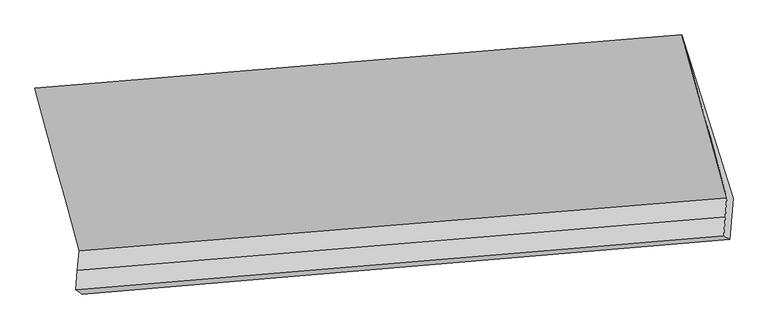
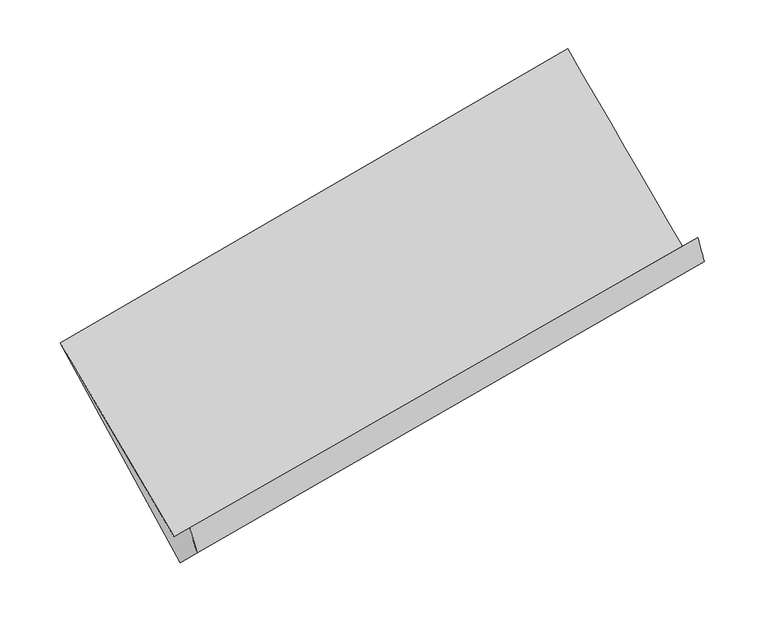
"""IFC4 building model written with IfcOpenShell, lengths in millimetres: proxy geometry."""

from ifc_helpers import new_model, si_unit, frame, origin, place, context, project, spatial, source, transform, mapped, element, save
from ifc_brep_helpers import plane_surface, spline_surface, advanced_brep


def generic_models_bbf5a630(model_context):
    return source(origin(), model_context, "Body", "AdvancedBrep", [
        advanced_brep(
        [(-5151.886697, -1770.4476561, 1281.4504472), (-5163.6992531, -1910.9882993, 1412.7973648), (-484.6029368, -1525.6246499, 2236.6811979), (-473.0163443, -1387.7724234, 2107.8468293), (-5175.5118092, -2051.5289425, 1544.1442825), (-496.1895293, -1663.4768763, 2365.5155665), (-5130.8021922, -2084.2447699, 1313.6399542), (-453.3530434, -1689.4019208, 2142.1088891), (-5105.794394, -1786.7128887, 1035.5716702), (-428.458868, -1393.2218745, 1865.3040071), (-5470.8129754, -596.0085716, 2481.3216145), (-798.1031195, -209.2143373, 3339.6626083)],
        [
            (0, 1),
            (1, 2),
            (2, 3),
            (3, 0),
            (1, 4),
            (4, 5),
            (5, 2),
            (4, 6),
            (6, 7),
            (7, 5),
            (6, 8),
            (8, 9),
            (9, 7),
            (8, 10),
            (10, 11),
            (11, 9),
            (10, 0),
            (3, 11),
        ],
        [
            plane_surface(frame((-5157.792975, -1840.7179777, 1347.123906), z_axis=(-0.181139144047002, 0.6795944989501291, 0.7108726520908246), x_axis=(-0.06129204340736108, -0.729226011985676, 0.6815223465583625))),
            plane_surface(frame((-5169.6055312, -1981.2586209, 1478.4708236), z_axis=(-0.18113914404700138, 0.6795944989501409, 0.7108726520908137), x_axis=(-0.06129204340726737, -0.7292260119856573, 0.6815223465583912))),
            spline_surface(1, 1, [[(-5175.5118092, -2051.5289425, 1544.1442825), (-496.1895293, -1663.4768763, 2365.5155665)], [(-5130.8021922, -2084.2447699, 1313.6399542), (-453.3530434, -1689.4019208, 2142.1088891)]], [2, 2], [2, 2], [0.0, 1.0], [0.0, 1.0]),
            plane_surface(frame((-5118.2982931, -1935.4788293, 1174.6058122), z_axis=(0.18319791035403454, -0.6794254257925711, -0.7105065914039778), x_axis=(0.0612920434073175, 0.7292260119856679, -0.6815223465583753))),
            spline_surface(1, 1, [[(-5105.794394, -1786.7128887, 1035.5716702), (-428.458868, -1393.2218745, 1865.3040071)], [(-5470.8129754, -596.0085716, 2481.3216145), (-798.1031195, -209.2143373, 3339.6626083)]], [2, 2], [2, 2], [0.0, 1.0], [0.0, 1.0]),
            spline_surface(1, 1, [[(-5470.8129754, -596.0085716, 2481.3216145), (-798.1031195, -209.2143373, 3339.6626083)], [(-5151.886697, -1770.4476561, 1281.4504472), (-473.0163443, -1387.7724234, 2107.8468293)]], [2, 2], [2, 2], [0.0, 1.0], [0.0, 1.0]),
            plane_surface(frame((-529.8241809, -1268.6174865, 2364.0875801), z_axis=(0.9803861922119967, 0.08415511554532146, 0.1782156857507657), x_axis=(-0.19185172101784842, 0.6145202657712256, 0.7652174593531906))),
            plane_surface(frame((-5206.9616136, -1657.7885658, 1531.2255937), z_axis=(-0.9803861922119981, -0.08415511554533292, -0.17821568575075306), x_axis=(-0.18661473876605592, 0.6872047170120511, 0.7020859037124044))),
        ],
        [
            (0, [[1, 2, 3, 4]]),
            (1, [[5, 6, 7, -2]]),
            (2, [[8, 9, 10, -6]]),
            (3, [[11, 12, 13, -9]]),
            (4, [[14, 15, 16, -12]]),
            (5, [[17, -4, 18, -15]]),
            (6, [[-16, -18, -3, -7, -10, -13]]),
            (7, [[-17, -14, -11, -8, -5, -1]]),
        ],
    ),
    ])


if __name__ == "__main__":
    model = new_model("IFC4")
    model_context = context("Model", 3, world=origin())
    ifc_project = project(units=[si_unit("LENGTHUNIT", "METRE", prefix="MILLI")], contexts=[model_context])
    site = spatial("IfcSite", under=ifc_project)
    building = spatial("IfcBuilding", under=site)
    placement = place(None, origin())
    generic_models_shape = generic_models_bbf5a630(model_context)
    element("IfcBuildingElementProxy", 1, Name="Generic Models", at=placement, inside=building, context=model_context, shape_type="MappedRepresentation", body=[
        mapped(generic_models_shape, transform((0.0, 0.0, 0.0), x_axis=(1.0, 0.0, 0.0), y_axis=(0.0, 1.0, 0.0), z_axis=(0.0, 0.0, 1.0))),
    ])
    save(model, "model.ifc")
